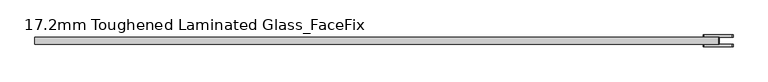
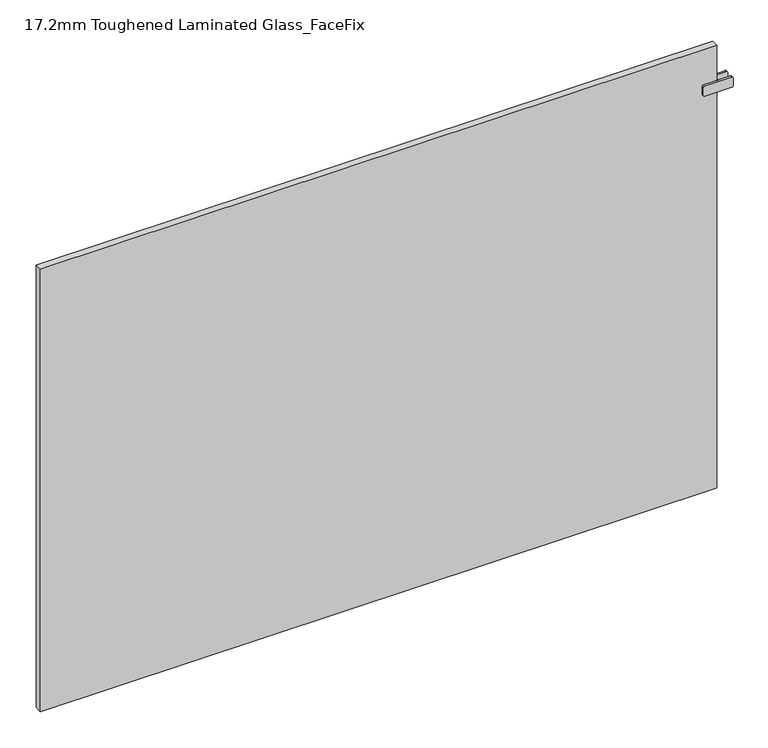
"""IFC4 building model written with IfcOpenShell, lengths in millimetres: plate geometry, 17.2mm Toughened Laminated Glass_FaceFix."""

from ifc_helpers import new_model, si_unit, point, frame, frame_2d, origin, origin_with_axes, place, context, project, spatial, polyline, circle_curve, trimmed, segment, composite_curve, outline, extrude, source, transform, mapped, element, save


def plate_17_2mm_toughened_laminated_glass_facefix_d24eadf4(model_context):
    return source(origin(), model_context, "Body", "SweptSolid", [
        extrude(outline(polyline([(797.5000001, -40.6), (792.5000001, -40.6), (792.5000001, -23.4), (797.5000001, -23.4), (797.5000001, -40.6)])), frame((0.0, 0.0, 987.5), z_axis=(0.0, 0.0, 1.0), x_axis=(1.0, 0.0, 0.0)), (0.0, 0.0, 1.0), 25.0),
        extrude(outline(composite_curve([segment(polyline([(987.5, 763.0000001), (987.5, 827.0000001)]), True, "CONTINUOUS"), segment(trimmed(circle_curve(frame_2d((990.5, 827.0000001)), 3.0), [point((987.5, 827.0000001))], [point((990.5, 830.0000001))], False, "CARTESIAN"), True, "CONTINUOUS"), segment(polyline([(990.5, 830.0000001), (1009.5, 830.0000001)]), True, "CONTINUOUS"), segment(trimmed(circle_curve(frame_2d((1009.5, 827.0000001)), 3.0), [point((1009.5, 830.0000001))], [point((1012.5, 827.0000001))], False, "CARTESIAN"), True, "CONTINUOUS"), segment(polyline([(1012.5, 827.0000001), (1012.5, 763.0000001)]), True, "CONTINUOUS"), segment(trimmed(circle_curve(frame_2d((1009.5, 763.0000001)), 3.0), [point((1012.5, 763.0000001))], [point((1009.5, 760.0000001))], False, "CARTESIAN"), True, "CONTINUOUS"), segment(polyline([(1009.5, 760.0000001), (990.5, 760.0000001)]), True, "CONTINUOUS"), segment(trimmed(circle_curve(frame_2d((990.5, 763.0000001)), 3.0), [point((990.5, 760.0000001))], [point((987.5, 763.0000001))], False, "CARTESIAN"), True, "CONTINUOUS")], self_intersect=False)), frame((0.0, -23.4, 0.0), z_axis=(0.0, 1.0, 0.0), x_axis=(0.0, 0.0, 1.0)), (0.0, 0.0, 1.0), 5.0),
        extrude(outline(composite_curve([segment(polyline([(987.5, 763.0000001), (987.5, 827.0000001)]), True, "CONTINUOUS"), segment(trimmed(circle_curve(frame_2d((990.5, 827.0000001)), 3.0), [point((987.5, 827.0000001))], [point((990.5, 830.0000001))], False, "CARTESIAN"), True, "CONTINUOUS"), segment(polyline([(990.5, 830.0000001), (1009.5, 830.0000001)]), True, "CONTINUOUS"), segment(trimmed(circle_curve(frame_2d((1009.5, 827.0000001)), 3.0), [point((1009.5, 830.0000001))], [point((1012.5, 827.0000001))], False, "CARTESIAN"), True, "CONTINUOUS"), segment(polyline([(1012.5, 827.0000001), (1012.5, 763.0000001)]), True, "CONTINUOUS"), segment(trimmed(circle_curve(frame_2d((1009.5, 763.0000001)), 3.0), [point((1012.5, 763.0000001))], [point((1009.5, 760.0000001))], False, "CARTESIAN"), True, "CONTINUOUS"), segment(polyline([(1009.5, 760.0000001), (990.5, 760.0000001)]), True, "CONTINUOUS"), segment(trimmed(circle_curve(frame_2d((990.5, 763.0000001)), 3.0), [point((990.5, 760.0000001))], [point((987.5, 763.0000001))], False, "CARTESIAN"), True, "CONTINUOUS")], self_intersect=False)), frame((0.0, -45.6, 0.0), z_axis=(0.0, 1.0, 0.0), x_axis=(0.0, 0.0, 1.0)), (0.0, 0.0, 1.0), 5.0),
        extrude(outline(polyline([(795.0000001, -23.4), (795.0000001, -40.6), (-795.0000001, -40.6), (-795.0000001, -23.4), (795.0000001, -23.4)])), origin_with_axes(), (0.0, 0.0, 1.0), 1100.0),
    ])


if __name__ == "__main__":
    model = new_model("IFC4")
    model_context = context("Model", 3, world=origin())
    ifc_project = project(units=[si_unit("LENGTHUNIT", "METRE", prefix="MILLI")], contexts=[model_context])
    site = spatial("IfcSite", under=ifc_project)
    building = spatial("IfcBuilding", under=site)
    placement = place(None, origin())
    plate_17_2mm_toughened_laminated_glass_facefix_shape = plate_17_2mm_toughened_laminated_glass_facefix_d24eadf4(model_context)
    element("IfcPlate", 1, ObjectType="17.2mm Toughened Laminated Glass_FaceFix", at=placement, inside=building, context=model_context, shape_type="MappedRepresentation", body=[
        mapped(plate_17_2mm_toughened_laminated_glass_facefix_shape, transform((0.0, 0.0, 0.0), x_axis=(1.0, 0.0, 0.0), y_axis=(0.0, 1.0, 0.0), z_axis=(0.0, 0.0, 1.0))),
    ])
    save(model, "model.ifc")
